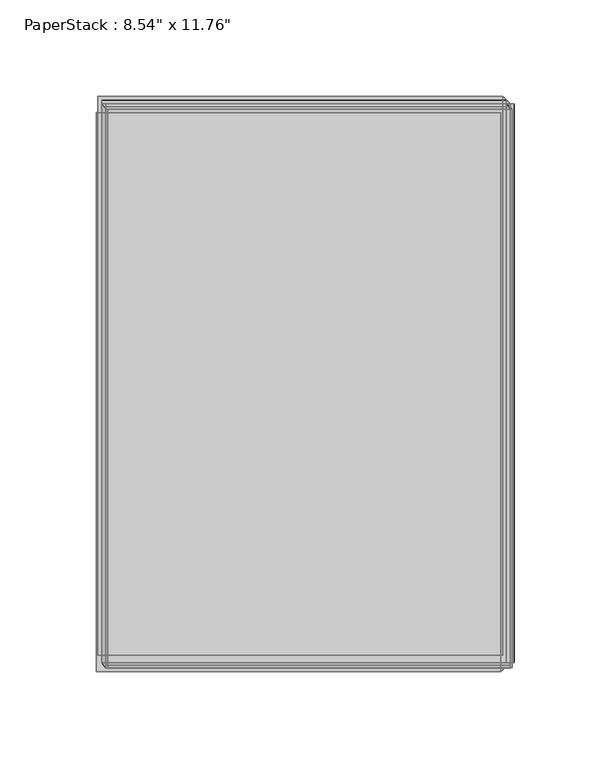
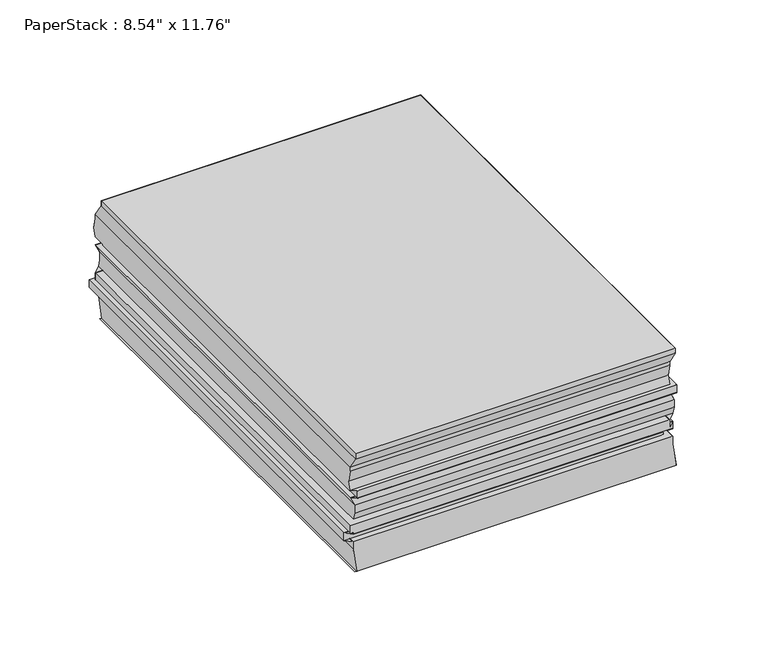
"""IFC4 building model written with IfcOpenShell, lengths in millimetres: furniture geometry."""

from ifc_helpers import new_model, si_unit, origin, place, context, project, spatial, triangles, source, transform, mapped, element, save


def furniture_18b320c7(model_context):
    return source(origin(), model_context, "Body", "Tessellation", [
        triangles([(-104.0399885, 142.4847531, 84.0533633), (105.9237126, 142.4847531, 80.4533559), (-104.0399885, 142.4847531, 80.4533559), (103.8237136, 145.3847578, 73.5533592), (-104.0399885, -144.589839, 15.7999997), (-104.0399885, 145.3847578, 15.7999997), (-101.9399895, 145.3847578, 0.0), (-101.9399895, -144.589839, 0.0), (-104.0399885, -144.589839, 21.0133408), (105.9237126, -144.589839, 15.7999997), (105.9237126, -144.589839, 21.0133408), (-103.239992, -144.589839, 0.0), (-103.239992, 145.3847578, 0.0), (108.0237116, -144.589839, 0.0), (108.0237116, 145.3847578, 0.0), (105.9237126, 145.3847578, 15.7999997), (105.9237126, 145.3847578, 21.0133408), (106.8237122, -144.589839, 0.0), (106.8237122, 145.3847578, 0.0), (-104.0399885, 145.3847578, 21.0133408), (-108.8399863, -149.2898428, 31.5133404), (101.1237149, -149.2898428, 31.5133404), (101.1237149, -149.2898428, 36.8266766), (-108.8399863, -149.2898428, 36.8266766), (-104.0399885, -144.589839, 31.5133404), (-108.8399863, 140.684754, 31.5133404), (-104.0399885, 145.3847578, 31.5133404), (-108.0399897, -140.6898499, 21.0133408), (102.0237144, -140.6898499, 21.0133408), (-108.0399897, -140.6898499, 26.3133375), (102.0237144, -140.6898499, 26.3133375), (-108.0399897, 149.2847468, 21.0133408), (-108.0399897, 149.2847468, 26.3133375), (105.9237126, -144.589839, 26.3133375), (-104.0399885, -144.589839, 26.3133375), (-104.0399885, 145.3847578, 26.3133375), (105.9237126, -144.589839, 31.5133404), (101.1237149, 140.684754, 31.5133404), (101.1237149, 140.684754, 36.8266766), (102.0237144, 149.2847468, 26.3133375), (102.0237144, 149.2847468, 21.0133408), (105.9237126, 145.3847578, 26.3133375), (105.9237126, 145.3847578, 31.5133404), (-108.8399863, 140.684754, 36.8266766), (-104.0399885, -144.589839, 36.8266766), (105.9237126, -144.589839, 36.8266766), (-104.0399885, -146.0898474, 47.3266806), (-104.0399885, 143.8847494, 47.3266806), (-104.0399885, 143.8847494, 42.0266816), (-104.0399885, -146.0898474, 42.0266816), (-106.1399875, -144.589839, 52.5400207), (105.9237126, -146.0898474, 47.3266806), (103.8237136, -144.589839, 52.5400207), (-104.0399885, 145.3847578, 36.8266766), (105.9237126, -146.0898474, 42.0266816), (105.9237126, 145.3847578, 36.8266766), (105.9237126, 143.8847494, 42.0266816), (105.9237126, 143.8847494, 47.3266806), (103.8237136, 145.3847578, 52.5400207), (-106.1399875, 145.3847578, 52.5400207), (-106.1399875, -144.589839, 57.8400197), (103.8237136, -144.589839, 57.8400197), (103.8237136, -142.8898428, 63.0400202), (-106.1399875, -142.8898428, 63.0400202), (-102.939983, -147.2898468, 57.8400197), (-106.1399875, 145.3847578, 57.8400197), (-106.1399875, 147.1847569, 63.0400202), (-106.1399875, -144.589839, 70.9533635), (103.8237136, -144.589839, 70.9533635), (-102.939983, -147.2898468, 52.5400207), (107.0237181, -147.2898468, 52.5400207), (-102.939983, 142.6847591, 57.8400197), (107.0237181, -147.2898468, 57.8400197), (-102.939983, 142.6847591, 52.5400207), (107.0237181, 142.6847591, 52.5400207), (103.8237136, 147.1847569, 63.0400202), (103.8237136, 145.3847578, 70.9533635), (103.8237136, 145.3847578, 57.8400197), (107.0237181, 142.6847591, 57.8400197), (-106.1399875, 145.3847578, 70.9533635), (-106.1399875, -144.589839, 73.5533592), (103.8237136, -144.589839, 73.5533592), (105.9237126, -147.5898467, 80.4533559), (-104.0399885, -147.5898467, 80.4533559), (-106.1399875, 145.3847578, 73.5533592), (-104.0399885, -147.5898467, 84.0533633), (105.9237126, -147.5898467, 84.0533633), (105.9237126, 142.4847531, 84.0533633)], [[1, 2, 3], [3, 2, 4], [5, 6, 7], [5, 7, 8], [5, 9, 6], [5, 8, 10], [5, 10, 11], [5, 11, 9], [12, 13, 7], [12, 7, 8], [12, 8, 13], [8, 14, 10], [8, 7, 15], [8, 15, 14], [8, 7, 13], [10, 14, 16], [10, 16, 17], [10, 17, 11], [18, 14, 19], [18, 19, 15], [18, 15, 14], [14, 15, 16], [14, 15, 19], [6, 16, 15], [6, 15, 7], [6, 20, 16], [6, 9, 20], [16, 20, 17], [21, 22, 23], [21, 23, 24], [21, 25, 22], [21, 26, 27], [21, 27, 25], [21, 24, 26], [28, 9, 29], [30, 28, 31], [28, 29, 31], [30, 32, 28], [30, 33, 32], [30, 31, 34], [30, 34, 35], [30, 35, 33], [28, 32, 20], [28, 20, 9], [35, 25, 36], [35, 37, 25], [35, 34, 37], [35, 36, 33], [25, 37, 22], [9, 11, 29], [25, 27, 36], [22, 37, 38], [22, 38, 39], [22, 39, 23], [29, 40, 31], [29, 41, 40], [29, 11, 41], [31, 40, 42], [31, 42, 34], [11, 17, 41], [37, 43, 38], [37, 34, 43], [34, 42, 43], [26, 44, 38], [26, 38, 43], [26, 43, 27], [26, 24, 44], [33, 36, 40], [32, 41, 17], [32, 17, 20], [32, 33, 41], [33, 40, 41], [36, 27, 42], [36, 42, 40], [27, 43, 42], [38, 44, 39], [24, 45, 44], [24, 23, 46], [24, 46, 45], [47, 48, 49], [47, 49, 50], [47, 51, 48], [47, 50, 52], [47, 52, 53], [47, 53, 51], [50, 54, 45], [50, 49, 54], [50, 45, 55], [50, 55, 52], [45, 46, 55], [45, 54, 44], [23, 39, 56], [23, 56, 46], [46, 57, 55], [46, 56, 57], [52, 55, 58], [52, 58, 59], [52, 59, 53], [55, 57, 58], [44, 54, 39], [54, 49, 56], [54, 56, 39], [49, 48, 57], [49, 57, 56], [48, 58, 57], [48, 60, 58], [48, 51, 60], [58, 60, 59], [61, 62, 63], [61, 63, 64], [61, 65, 62], [61, 64, 66], [64, 67, 66], [64, 68, 67], [64, 63, 69], [64, 69, 68], [51, 70, 60], [51, 53, 71], [51, 71, 70], [61, 66, 72], [61, 72, 65], [65, 73, 62], [65, 70, 73], [65, 74, 70], [65, 72, 74], [70, 71, 73], [70, 74, 60], [53, 59, 75], [53, 75, 71], [63, 62, 76], [63, 76, 77], [63, 77, 69], [62, 78, 76], [62, 73, 78], [73, 79, 78], [73, 71, 79], [71, 75, 79], [67, 68, 80], [67, 78, 66], [67, 76, 78], [67, 80, 76], [66, 78, 79], [66, 79, 72], [60, 74, 59], [74, 75, 59], [74, 72, 75], [72, 79, 75], [76, 80, 77], [81, 68, 82], [81, 82, 83], [81, 83, 84], [81, 84, 85], [81, 85, 80], [81, 80, 68], [68, 69, 82], [84, 86, 3], [84, 3, 85], [86, 1, 3], [86, 84, 87], [84, 83, 87], [69, 77, 4], [69, 4, 82], [82, 4, 2], [82, 2, 83], [87, 83, 88], [83, 2, 88], [85, 3, 4], [85, 4, 77], [85, 77, 80], [1, 88, 2]], closed=False),
        triangles([(-104.0399068, -147.5899193, 84.0666982), (105.9450957, -147.5899193, 84.0666982), (105.9450957, 142.4741342, 84.0666982), (-104.0399068, 142.4741342, 84.0666982)], [[1, 2, 3], [1, 3, 4]], closed=False),
    ])


if __name__ == "__main__":
    model = new_model("IFC4")
    model_context = context("Model", 3, world=origin())
    ifc_project = project(units=[si_unit("LENGTHUNIT", "METRE", prefix="MILLI")], contexts=[model_context])
    site = spatial("IfcSite", under=ifc_project)
    building = spatial("IfcBuilding", under=site)
    placement = place(None, origin())
    furniture_shape = furniture_18b320c7(model_context)
    element("IfcFurniture", 1, ObjectType="PaperStack : 8.54\" x 11.76\"", at=placement, inside=building, context=model_context, shape_type="MappedRepresentation", body=[
        mapped(furniture_shape, transform((0.0, 0.0, 0.0), x_axis=(1.0, 0.0, 0.0), y_axis=(0.0, 1.0, 0.0), z_axis=(0.0, 0.0, 1.0))),
    ])
    save(model, "model.ifc")
